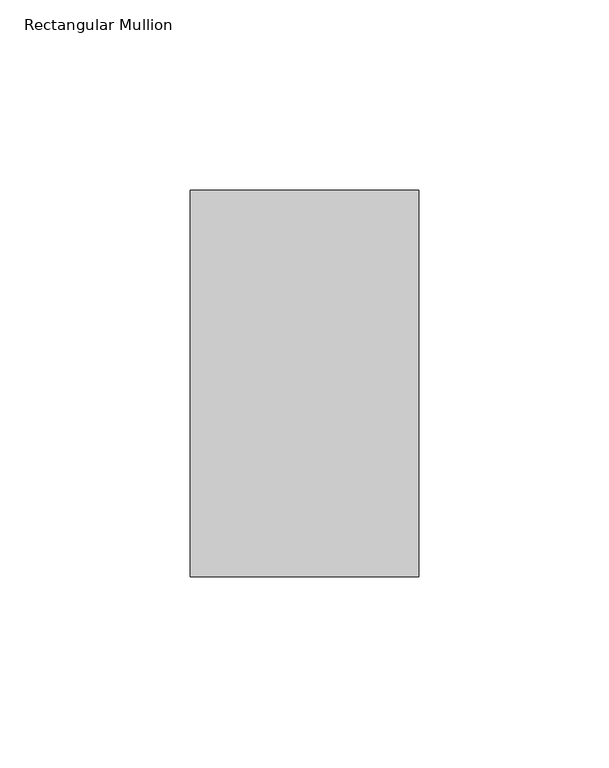
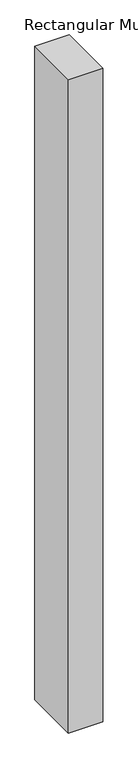
"""IFC4 building model written with IfcOpenShell, lengths in millimetres: member geometry, Rectangular Mullion."""

from ifc_helpers import new_model, si_unit, frame, origin, place, context, project, spatial, polyline, outline, extrude, source, transform, mapped, element, save


def rectangular_mullion_d64b56c7(model_context):
    return source(origin(), model_context, "Body", "SweptSolid", [
        extrude(outline(polyline([(0.0, 50.8), (0.0, -50.8), (-60.0, -50.8), (-60.0, 50.8), (0.0, 50.8)])), frame((0.0, 0.0, -1210.0), z_axis=(0.0, 0.0, 1.0), x_axis=(1.0, 0.0, 0.0)), (0.0, 0.0, 1.0), 1210.0),
    ])


if __name__ == "__main__":
    model = new_model("IFC4")
    model_context = context("Model", 3, world=origin())
    ifc_project = project(units=[si_unit("LENGTHUNIT", "METRE", prefix="MILLI")], contexts=[model_context])
    site = spatial("IfcSite", under=ifc_project)
    building = spatial("IfcBuilding", under=site)
    placement = place(None, origin())
    rectangular_mullion_shape = rectangular_mullion_d64b56c7(model_context)
    element("IfcMember", 1, ObjectType="Rectangular Mullion", at=placement, inside=building, context=model_context, shape_type="MappedRepresentation", body=[
        mapped(rectangular_mullion_shape, transform((0.0, 0.0, 0.0), x_axis=(1.0, 0.0, 0.0), y_axis=(0.0, 1.0, 0.0), z_axis=(0.0, 0.0, 1.0))),
    ])
    save(model, "model.ifc")
